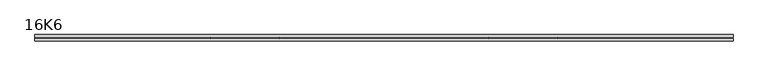
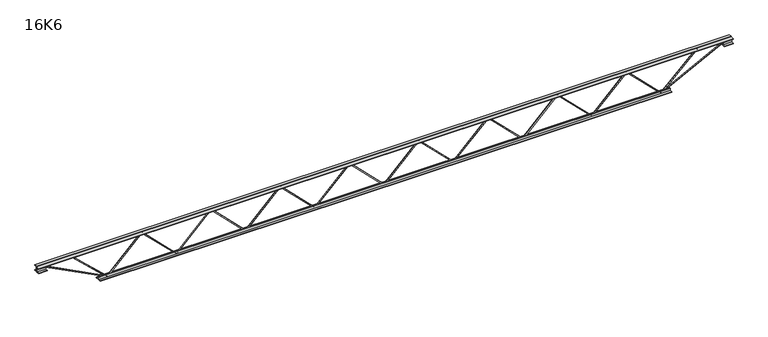
"""IFC4 building model written with IfcOpenShell, lengths in millimetres: beam geometry, 16K6."""

from ifc_helpers import new_model, si_unit, frame, origin, place, context, project, spatial, polyline, outline, extrude, source, transform, mapped, element, save


def beam_16k6_3ffcd8c6(model_context):
    return source(origin(), model_context, "Body", "SweptSolid", [
        extrude(outline(polyline([(-191.9, 1601.75), (-201.4, 1601.75), (-201.4, 1606.8897321), (191.9, 2000.9772321), (191.9, 2003.3977679), (-201.4, 2397.4852679), (-201.4, 2402.625), (-191.9, 2402.625), (-191.9, 2401.4147321), (201.4, 2007.3272321), (201.4, 1997.0477679), (-191.9, 1602.9602679), (-191.9, 1601.75)])), frame((0.0, -4.75, 0.0), z_axis=(0.0, 1.0, 0.0), x_axis=(0.0, 0.0, 1.0)), (0.0, 0.0, 1.0), 9.5),
        extrude(outline(polyline([(-191.9, 800.875), (-201.4, 800.875), (-201.4, 806.0147321), (191.9, 1200.1022321), (191.9, 1202.5227679), (-201.4, 1596.6102679), (-201.4, 1601.75), (-191.9, 1601.75), (-191.9, 1600.5397321), (201.4, 1206.4522321), (201.4, 1196.1727679), (-191.9, 802.0852679), (-191.9, 800.875)])), frame((0.0, -4.75, 0.0), z_axis=(0.0, 1.0, 0.0), x_axis=(0.0, 0.0, 1.0)), (0.0, 0.0, 1.0), 9.5),
        extrude(outline(polyline([(-191.9, 0.0), (-201.4, 0.0), (-201.4, 5.1397321), (191.9, 399.2272321), (191.9, 401.6477679), (-201.4, 795.7352679), (-201.4, 800.875), (-191.9, 800.875), (-191.9, 799.6647321), (201.4, 405.5772321), (201.4, 395.2977679), (-191.9, 1.2102679), (-191.9, 0.0)])), frame((0.0, -4.75, 0.0), z_axis=(0.0, 1.0, 0.0), x_axis=(0.0, 0.0, 1.0)), (0.0, 0.0, 1.0), 9.5),
        extrude(outline(polyline([(-191.9, -800.875), (-201.4, -800.875), (-201.4, -795.7352679), (191.9, -401.6477679), (191.9, -399.2272321), (-201.4, -5.1397321), (-201.4, 0.0), (-191.9, 0.0), (-191.9, -1.2102679), (201.4, -395.2977679), (201.4, -405.5772321), (-191.9, -799.6647321), (-191.9, -800.875)])), frame((0.0, -4.75, 0.0), z_axis=(0.0, 1.0, 0.0), x_axis=(0.0, 0.0, 1.0)), (0.0, 0.0, 1.0), 9.5),
        extrude(outline(polyline([(-191.9, -1601.75), (-201.4, -1601.75), (-201.4, -1596.6102679), (191.9, -1202.5227679), (191.9, -1200.1022321), (-201.4, -806.0147321), (-201.4, -800.875), (-191.9, -800.875), (-191.9, -802.0852679), (201.4, -1196.1727679), (201.4, -1206.4522321), (-191.9, -1600.5397321), (-191.9, -1601.75)])), frame((0.0, -4.75, 0.0), z_axis=(0.0, 1.0, 0.0), x_axis=(0.0, 0.0, 1.0)), (0.0, 0.0, 1.0), 9.5),
        extrude(outline(polyline([(-191.9, -2402.625), (-201.4, -2402.625), (-201.4, -2397.4852679), (191.9, -2003.3977679), (191.9, -2000.9772321), (-201.4, -1606.8897321), (-201.4, -1601.75), (-191.9, -1601.75), (-191.9, -1602.9602679), (201.4, -1997.0477679), (201.4, -2007.3272321), (-191.9, -2401.4147321), (-191.9, -2402.625)])), frame((0.0, -4.75, 0.0), z_axis=(0.0, 1.0, 0.0), x_axis=(0.0, 0.0, 1.0)), (0.0, 0.0, 1.0), 9.5),
        extrude(outline(polyline([(-191.9, 2402.625), (-201.4, 2402.625), (-201.4, 2407.7647321), (191.9, 2801.8522321), (191.9, 2804.2727679), (-201.4, 3198.3602679), (-201.4, 3203.5), (-191.9, 3203.5), (-191.9, 3202.2897321), (201.4, 2808.2022321), (201.4, 2797.9227679), (-191.9, 2403.8352679), (-191.9, 2402.625)])), frame((0.0, -4.75, 0.0), z_axis=(0.0, 1.0, 0.0), x_axis=(0.0, 0.0, 1.0)), (0.0, 0.0, 1.0), 9.5),
        extrude(outline(polyline([(-191.9, -3203.5), (-201.4, -3203.5), (-201.4, -3198.3602679), (191.9, -2804.2727679), (191.9, -2801.8522321), (-201.4, -2407.7647321), (-201.4, -2402.625), (-191.9, -2402.625), (-191.9, -2403.8352679), (201.4, -2797.9227679), (201.4, -2808.2022321), (-191.9, -3202.2897321), (-191.9, -3203.5)])), frame((0.0, -4.75, 0.0), z_axis=(0.0, 1.0, 0.0), x_axis=(0.0, 0.0, 1.0)), (0.0, 0.0, 1.0), 9.5),
        extrude(outline(polyline([(4.75, 203.0), (36.75, 203.0), (36.75, 196.5), (11.25, 196.5), (11.25, 171.0), (4.75, 171.0), (4.75, 203.0)])), frame((-4015.5, 0.0, 0.0), z_axis=(1.0, 0.0, 0.0), x_axis=(0.0, 1.0, 0.0)), (0.0, 0.0, 1.0), 8031.0),
        extrude(outline(polyline([(-4.75, 203.0), (-4.75, 171.0), (-11.25, 171.0), (-11.25, 196.5), (-36.75, 196.5), (-36.75, 203.0), (-4.75, 203.0)])), frame((-4015.5, 0.0, 0.0), z_axis=(1.0, 0.0, 0.0), x_axis=(0.0, 1.0, 0.0)), (0.0, 0.0, 1.0), 8031.0),
        extrude(outline(polyline([(-4.75, 139.5), (-36.75, 139.5), (-36.75, 146.0), (-11.25, 146.0), (-11.25, 171.0), (-4.75, 171.0), (-4.75, 139.5)])), frame((-4015.5, 0.0, 0.0), z_axis=(1.0, 0.0, 0.0), x_axis=(0.0, 1.0, 0.0)), (0.0, 0.0, 1.0), 100.0),
        extrude(outline(polyline([(36.75, 139.5), (4.75, 139.5), (4.75, 171.0), (11.25, 171.0), (11.25, 146.0), (36.75, 146.0), (36.75, 139.5)])), frame((-4015.5, 0.0, 0.0), z_axis=(1.0, 0.0, 0.0), x_axis=(0.0, 1.0, 0.0)), (0.0, 0.0, 1.0), 100.0),
        extrude(outline(polyline([(4.75, 139.5), (4.75, 171.0), (11.25, 171.0), (11.25, 146.0), (36.75, 146.0), (36.75, 139.5), (4.75, 139.5)])), frame((3915.5, 0.0, 0.0), z_axis=(1.0, 0.0, 0.0), x_axis=(0.0, 1.0, 0.0)), (0.0, 0.0, 1.0), 100.0),
        extrude(outline(polyline([(-4.75, 139.5), (-36.75, 139.5), (-36.75, 146.0), (-11.25, 146.0), (-11.25, 171.0), (-4.75, 171.0), (-4.75, 139.5)])), frame((3915.5, 0.0, 0.0), z_axis=(1.0, 0.0, 0.0), x_axis=(0.0, 1.0, 0.0)), (0.0, 0.0, 1.0), 100.0),
        extrude(outline(polyline([(4.75, -203.0), (4.75, -171.0), (11.25, -171.0), (11.25, -196.5), (36.75, -196.5), (36.75, -203.0), (4.75, -203.0)])), frame((-3303.5, 0.0, 0.0), z_axis=(1.0, 0.0, 0.0), x_axis=(0.0, 1.0, 0.0)), (0.0, 0.0, 1.0), 6607.0),
        extrude(outline(polyline([(-4.75, -203.0), (-36.75, -203.0), (-36.75, -196.5), (-11.25, -196.5), (-11.25, -171.0), (-4.75, -171.0), (-4.75, -203.0)])), frame((-3303.5, 0.0, 0.0), z_axis=(1.0, 0.0, 0.0), x_axis=(0.0, 1.0, 0.0)), (0.0, 0.0, 1.0), 6607.0),
        extrude(outline(polyline([(-200.8705467, -3205.6793315), (-192.4294533, -3201.3206685), (175.75, -3914.3460208), (175.75, -4015.5), (166.25, -4015.5), (166.25, -3916.6539792), (-200.8705467, -3205.6793315)])), frame((0.0, -4.75, 0.0), z_axis=(0.0, 1.0, 0.0), x_axis=(0.0, 0.0, 1.0)), (0.0, 0.0, 1.0), 9.5),
        extrude(outline(polyline([(188.7, -3623.8946429), (179.2, -3623.8946429), (179.2, -3613.0672237), (-200.1221514, -3206.7413986), (-193.1778486, -3200.2586014), (188.7, -3609.322062), (188.7, -3623.8946429)])), frame((0.0, -4.75, 0.0), z_axis=(0.0, 1.0, 0.0), x_axis=(0.0, 0.0, 1.0)), (0.0, 0.0, 1.0), 9.5),
        extrude(outline(polyline([(0.0, -9.5), (0.0, 0.0), (801.3179909, 0.0), (801.3179909, -9.5), (0.0, -9.5)])), frame((3917.6793315, -4.75, 166.7794533), z_axis=(-0.4588066213244962, 0.0, 0.8885361468329808), x_axis=(-0.8885361468329808, 0.0, -0.4588066213244962)), (0.0, 0.0, 1.0), 9.5),
        extrude(outline(polyline([(0.0, -9.5), (0.0, 0.0), (571.7253488, 0.0), (571.7253488, -9.5), (0.0, -9.5)])), frame((3621.7193949, -4.75, 193.2025038), z_axis=(-0.6879177227693014, 0.0, 0.7257886790932321), x_axis=(-0.7257886790932321, 0.0, -0.6879177227693014)), (0.0, 0.0, 1.0), 9.5),
    ])


if __name__ == "__main__":
    model = new_model("IFC4")
    model_context = context("Model", 3, world=origin())
    ifc_project = project(units=[si_unit("LENGTHUNIT", "METRE", prefix="MILLI")], contexts=[model_context])
    site = spatial("IfcSite", under=ifc_project)
    building = spatial("IfcBuilding", under=site)
    placement = place(None, origin())
    beam_16k6_shape = beam_16k6_3ffcd8c6(model_context)
    element("IfcBeam", 1, ObjectType="16K6", at=placement, inside=building, context=model_context, shape_type="MappedRepresentation", body=[
        mapped(beam_16k6_shape, transform((0.0, 0.0, 0.0), x_axis=(1.0, 0.0, 0.0), y_axis=(0.0, 1.0, 0.0), z_axis=(0.0, 0.0, 1.0))),
    ])
    save(model, "model.ifc")
